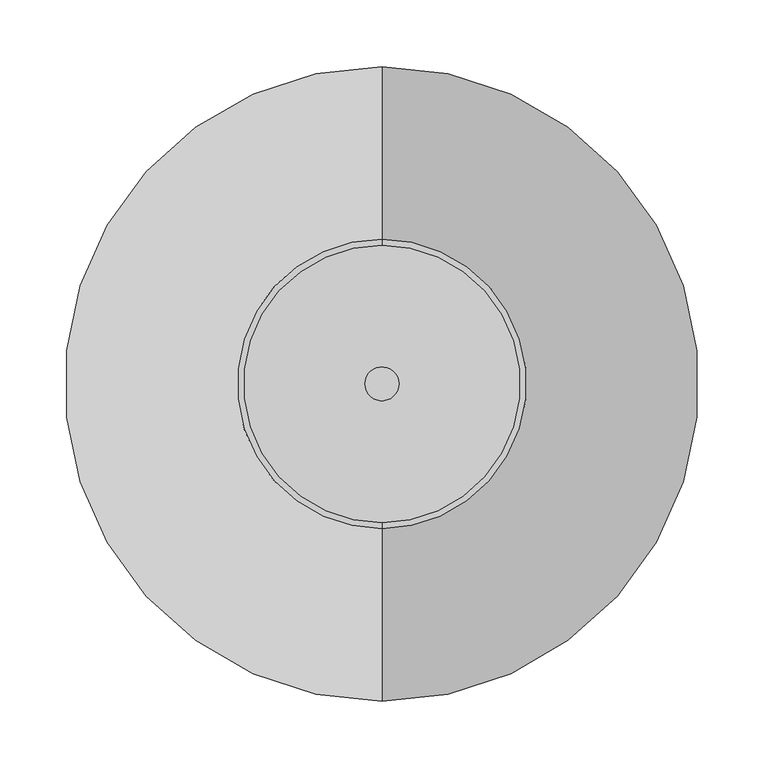
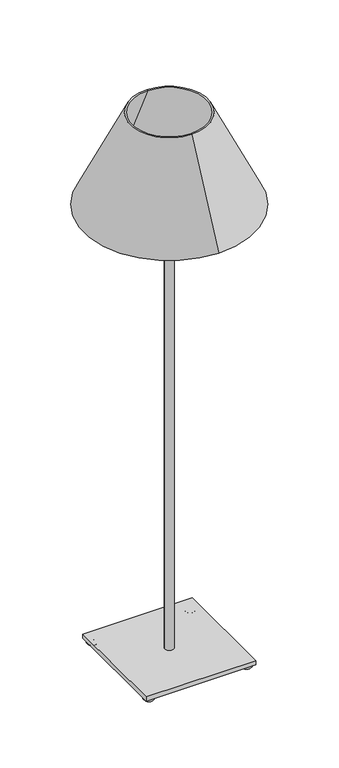
"""IFC4 building model written with IfcOpenShell, lengths in millimetres: light fixture geometry."""

from ifc_helpers import new_model, si_unit, point, frame, origin, origin_2d, place, context, project, spatial, polyline, circle_curve, ellipse_curve, trimmed, segment, composite_curve, outline, extrude, source, transform, mapped, element, save
from ifc_brep_helpers import plane_surface, revolved_surface, advanced_brep


def light_fixture_e73b96cd(model_context):
    return source(origin(), model_context, "Body", "SolidModel", [
        extrude(outline(composite_curve([segment(trimmed(circle_curve(origin_2d(), 12.7), [point((-12.7, 0.0))], [point((12.7, 0.0))], False, "CARTESIAN"), True, "CONTINUOUS"), segment(trimmed(circle_curve(origin_2d(), 12.7), [point((12.7, 0.0))], [point((-12.7, 0.0))], False, "CARTESIAN"), True, "CONTINUOUS")], self_intersect=False)), frame((0.0, 0.0, 24.9639672), z_axis=(0.0, 0.0, 1.0), x_axis=(1.0, 0.0, 0.0)), (0.0, 0.0, 1.0), 1411.3792544),
        extrude(outline(polyline([(152.4, 152.4), (152.4, -152.4), (-152.4, -152.4), (-152.4, 152.4), (152.4, 152.4)])), frame((0.0, 0.0, 12.6871384), z_axis=(0.0, 0.0, 1.0), x_axis=(1.0, 0.0, 0.0)), (0.0, 0.0, 1.0), 12.2768288),
        advanced_brep(
        [(133.9366871, -135.595774, 0.0), (140.1544999, -135.595774, 0.0), (140.1544999, -135.595774, 12.6871384), (133.9366871, -135.595774, 12.6871384), (121.2495488, -135.595774, 12.6871384), (152.8416383, -135.595774, 12.6871384)],
        [
            (0, 1, circle_curve(frame((137.0455935, -135.595774, 0.0), z_axis=(0.0, 0.0, -1.0), x_axis=(0.0, 1.0, 0.0)), 3.1089064)),
            (1, 2),
            (2, 3, circle_curve(frame((137.0455935, -135.595774, 12.6871384), z_axis=(0.0, 0.0, 1.0), x_axis=(0.0, 1.0, 0.0)), 3.1089064)),
            (3, 0),
            (1, 0, circle_curve(frame((137.0455935, -135.595774, 0.0), z_axis=(0.0, 0.0, -1.0), x_axis=(0.0, 1.0, 0.0)), 3.1089064)),
            (3, 2, circle_curve(frame((137.0455935, -135.595774, 12.6871384), z_axis=(0.0, 0.0, 1.0), x_axis=(0.0, 1.0, 0.0)), 3.1089064)),
            (4, 5, circle_curve(frame((137.0455935, -135.595774, 12.6871384), z_axis=(0.0, 0.0, -1.0), x_axis=(0.0, 1.0, 0.0)), 15.7960447)),
            (5, 1, circle_curve(frame((140.1544999, -135.595774, 12.6871384), z_axis=(0.0, 1.0, 0.0), x_axis=(1.0, 0.0, 0.0)), 12.6871384)),
            (0, 4, circle_curve(frame((133.9366871, -135.595774, 12.6871384), z_axis=(0.0, 1.0, 0.0), x_axis=(-1.0, 0.0, 0.0)), 12.6871384)),
            (5, 4, circle_curve(frame((137.0455935, -135.595774, 12.6871384), z_axis=(0.0, 0.0, -1.0), x_axis=(0.0, 1.0, 0.0)), 15.7960447)),
            (2, 5),
            (4, 3),
        ],
        [
            revolved_surface(polyline([(137.0455935, -132.4868676, 12.6871384), (137.0455935, -132.4868676, 0.0)]), (137.0455935, -135.595774, 0.0), (0.0, 0.0, 1.0)),
            revolved_surface(trimmed(ellipse_curve(frame((137.0455935, -132.4868676, 12.6871384), z_axis=(1.0, 0.0, 0.0), x_axis=(0.0, 1.0, 0.0)), 12.6871384, 12.6871384), [point((137.0455935, -132.4868676, 0.0))], [point((137.0455935, -119.7997292, 12.6871384))], True, "CARTESIAN"), (137.0455935, -135.595774, 0.0), (0.0, 0.0, 1.0)),
            plane_surface(frame((137.0455935, -135.595774, 12.6871384), z_axis=(0.0, 0.0, 1.0), x_axis=(0.0, 1.0, 0.0))),
        ],
        [
            (0, [[1, 2, 3, 4]]),
            (0, [[5, -4, 6, -2]]),
            (1, [[7, 8, -1, 9]]),
            (1, [[10, -9, -5, -8]]),
            (2, [[-3, 11, -7, 12]]),
            (2, [[-6, -12, -10, -11]]),
        ],
    ),
        advanced_brep(
        [(-138.5460372, -136.1907144, 0.0), (-132.3282244, -136.1907144, 0.0), (-132.3282244, -136.1907144, 12.6871384), (-138.5460372, -136.1907144, 12.6871384), (-151.2331755, -136.1907144, 12.6871384), (-119.641086, -136.1907144, 12.6871384)],
        [
            (0, 1, circle_curve(frame((-135.4371308, -136.1907144, 0.0), z_axis=(0.0, 0.0, -1.0), x_axis=(0.0, 1.0, 0.0)), 3.1089064)),
            (1, 2),
            (2, 3, circle_curve(frame((-135.4371308, -136.1907144, 12.6871384), z_axis=(0.0, 0.0, 1.0), x_axis=(0.0, 1.0, 0.0)), 3.1089064)),
            (3, 0),
            (1, 0, circle_curve(frame((-135.4371308, -136.1907144, 0.0), z_axis=(0.0, 0.0, -1.0), x_axis=(0.0, 1.0, 0.0)), 3.1089064)),
            (3, 2, circle_curve(frame((-135.4371308, -136.1907144, 12.6871384), z_axis=(0.0, 0.0, 1.0), x_axis=(0.0, 1.0, 0.0)), 3.1089064)),
            (4, 5, circle_curve(frame((-135.4371308, -136.1907144, 12.6871384), z_axis=(0.0, 0.0, -1.0), x_axis=(0.0, 1.0, 0.0)), 15.7960447)),
            (5, 1, circle_curve(frame((-132.3282244, -136.1907144, 12.6871384), z_axis=(0.0, 1.0, 0.0), x_axis=(1.0, 0.0, 0.0)), 12.6871384)),
            (0, 4, circle_curve(frame((-138.5460372, -136.1907144, 12.6871384), z_axis=(0.0, 1.0, 0.0), x_axis=(-1.0, 0.0, 0.0)), 12.6871384)),
            (5, 4, circle_curve(frame((-135.4371308, -136.1907144, 12.6871384), z_axis=(0.0, 0.0, -1.0), x_axis=(0.0, 1.0, 0.0)), 15.7960447)),
            (2, 5),
            (4, 3),
        ],
        [
            revolved_surface(polyline([(-135.4371308, -133.081808, 12.6871384), (-135.4371308, -133.081808, 0.0)]), (-135.4371308, -136.1907144, 0.0), (0.0, 0.0, 1.0)),
            revolved_surface(trimmed(ellipse_curve(frame((-135.4371308, -133.081808, 12.6871384), z_axis=(1.0, 0.0, 0.0), x_axis=(0.0, 1.0, 0.0)), 12.6871384, 12.6871384), [point((-135.4371308, -133.081808, 0.0))], [point((-135.4371308, -120.3946697, 12.6871384))], True, "CARTESIAN"), (-135.4371308, -136.1907144, 0.0), (0.0, 0.0, 1.0)),
            plane_surface(frame((-135.4371308, -136.1907144, 12.6871384), z_axis=(0.0, 0.0, 1.0), x_axis=(0.0, 1.0, 0.0))),
        ],
        [
            (0, [[1, 2, 3, 4]]),
            (0, [[5, -4, 6, -2]]),
            (1, [[7, 8, -1, 9]]),
            (1, [[10, -9, -5, -8]]),
            (2, [[-3, 11, -7, 12]]),
            (2, [[-6, -12, -10, -11]]),
        ],
    ),
        advanced_brep(
        [(-139.1409776, 135.6970694, 0.0), (-132.9231648, 135.6970694, 0.0), (-132.9231648, 135.6970694, 12.6871384), (-139.1409776, 135.6970694, 12.6871384), (-151.828116, 135.6970694, 12.6871384), (-120.2360265, 135.6970694, 12.6871384)],
        [
            (0, 1, circle_curve(frame((-136.0320712, 135.6970694, 0.0), z_axis=(0.0, 0.0, -1.0), x_axis=(0.0, 1.0, 0.0)), 3.1089064)),
            (1, 2),
            (2, 3, circle_curve(frame((-136.0320712, 135.6970694, 12.6871384), z_axis=(0.0, 0.0, 1.0), x_axis=(0.0, 1.0, 0.0)), 3.1089064)),
            (3, 0),
            (1, 0, circle_curve(frame((-136.0320712, 135.6970694, 0.0), z_axis=(0.0, 0.0, -1.0), x_axis=(0.0, 1.0, 0.0)), 3.1089064)),
            (3, 2, circle_curve(frame((-136.0320712, 135.6970694, 12.6871384), z_axis=(0.0, 0.0, 1.0), x_axis=(0.0, 1.0, 0.0)), 3.1089064)),
            (4, 5, circle_curve(frame((-136.0320712, 135.6970694, 12.6871384), z_axis=(0.0, 0.0, -1.0), x_axis=(0.0, 1.0, 0.0)), 15.7960447)),
            (5, 1, circle_curve(frame((-132.9231648, 135.6970694, 12.6871384), z_axis=(0.0, 1.0, 0.0), x_axis=(1.0, 0.0, 0.0)), 12.6871384)),
            (0, 4, circle_curve(frame((-139.1409776, 135.6970694, 12.6871384), z_axis=(0.0, 1.0, 0.0), x_axis=(-1.0, 0.0, 0.0)), 12.6871384)),
            (5, 4, circle_curve(frame((-136.0320712, 135.6970694, 12.6871384), z_axis=(0.0, 0.0, -1.0), x_axis=(0.0, 1.0, 0.0)), 15.7960447)),
            (2, 5),
            (4, 3),
        ],
        [
            revolved_surface(polyline([(-136.0320712, 138.8059758, 12.6871384), (-136.0320712, 138.8059758, 0.0)]), (-136.0320712, 135.6970694, 0.0), (0.0, 0.0, 1.0)),
            revolved_surface(trimmed(ellipse_curve(frame((-136.0320712, 138.8059758, 12.6871384), z_axis=(1.0, 0.0, 0.0), x_axis=(0.0, 1.0, 0.0)), 12.6871384, 12.6871384), [point((-136.0320712, 138.8059758, 0.0))], [point((-136.0320712, 151.4931142, 12.6871384))], True, "CARTESIAN"), (-136.0320712, 135.6970694, 0.0), (0.0, 0.0, 1.0)),
            plane_surface(frame((-136.0320712, 135.6970694, 12.6871384), z_axis=(0.0, 0.0, 1.0), x_axis=(0.0, 1.0, 0.0))),
        ],
        [
            (0, [[1, 2, 3, 4]]),
            (0, [[5, -4, 6, -2]]),
            (1, [[7, 8, -1, 9]]),
            (1, [[10, -9, -5, -8]]),
            (2, [[-3, 11, -7, 12]]),
            (2, [[-6, -12, -10, -11]]),
        ],
    ),
        advanced_brep(
        [(133.2106985, 136.0573029, 0.0), (139.4285113, 136.0573029, 0.0), (139.4285113, 136.0573029, 12.6871384), (133.2106985, 136.0573029, 12.6871384), (120.5235602, 136.0573029, 12.6871384), (152.1156497, 136.0573029, 12.6871384)],
        [
            (0, 1, circle_curve(frame((136.3196049, 136.0573029, 0.0), z_axis=(0.0, 0.0, -1.0), x_axis=(0.0, 1.0, 0.0)), 3.1089064)),
            (1, 2),
            (2, 3, circle_curve(frame((136.3196049, 136.0573029, 12.6871384), z_axis=(0.0, 0.0, 1.0), x_axis=(0.0, 1.0, 0.0)), 3.1089064)),
            (3, 0),
            (1, 0, circle_curve(frame((136.3196049, 136.0573029, 0.0), z_axis=(0.0, 0.0, -1.0), x_axis=(0.0, 1.0, 0.0)), 3.1089064)),
            (3, 2, circle_curve(frame((136.3196049, 136.0573029, 12.6871384), z_axis=(0.0, 0.0, 1.0), x_axis=(0.0, 1.0, 0.0)), 3.1089064)),
            (4, 5, circle_curve(frame((136.3196049, 136.0573029, 12.6871384), z_axis=(0.0, 0.0, -1.0), x_axis=(0.0, 1.0, 0.0)), 15.7960447)),
            (5, 1, circle_curve(frame((139.4285113, 136.0573029, 12.6871384), z_axis=(0.0, 1.0, 0.0), x_axis=(1.0, 0.0, 0.0)), 12.6871384)),
            (0, 4, circle_curve(frame((133.2106985, 136.0573029, 12.6871384), z_axis=(0.0, 1.0, 0.0), x_axis=(-1.0, 0.0, 0.0)), 12.6871384)),
            (5, 4, circle_curve(frame((136.3196049, 136.0573029, 12.6871384), z_axis=(0.0, 0.0, -1.0), x_axis=(0.0, 1.0, 0.0)), 15.7960447)),
            (2, 5),
            (4, 3),
        ],
        [
            revolved_surface(polyline([(136.3196049, 139.1662093, 12.6871384), (136.3196049, 139.1662093, 0.0)]), (136.3196049, 136.0573029, 0.0), (0.0, 0.0, 1.0)),
            revolved_surface(trimmed(ellipse_curve(frame((136.3196049, 139.1662093, 12.6871384), z_axis=(1.0, 0.0, 0.0), x_axis=(0.0, 1.0, 0.0)), 12.6871384, 12.6871384), [point((136.3196049, 139.1662093, 0.0))], [point((136.3196049, 151.8533477, 12.6871384))], True, "CARTESIAN"), (136.3196049, 136.0573029, 0.0), (0.0, 0.0, 1.0)),
            plane_surface(frame((136.3196049, 136.0573029, 12.6871384), z_axis=(0.0, 0.0, 1.0), x_axis=(0.0, 1.0, 0.0))),
        ],
        [
            (0, [[1, 2, 3, 4]]),
            (0, [[5, -4, 6, -2]]),
            (1, [[7, 8, -1, 9]]),
            (1, [[10, -9, -5, -8]]),
            (2, [[-3, 11, -7, 12]]),
            (2, [[-6, -12, -10, -11]]),
        ],
    ),
        advanced_brep(
        [(0.0, -233.3382251, 1329.389278), (0.0, 233.3382251, 1329.389278), (0.0, 104.0586089, 1600.0), (0.0, -104.0586089, 1600.0), (0.0, -237.8523754, 1329.389278), (0.0, 237.8523754, 1329.389278), (0.0, -108.5727592, 1600.0), (0.0, 108.5727592, 1600.0)],
        [
            (0, 1, circle_curve(frame((0.0, 0.0, 1329.389278), z_axis=(0.0, 0.0, -1.0), x_axis=(0.0, 1.0, 0.0)), 233.3382251)),
            (1, 2),
            (2, 3, circle_curve(frame((0.0, 0.0, 1600.0), z_axis=(0.0, 0.0, 1.0), x_axis=(0.0, 1.0, 0.0)), 104.0586089)),
            (3, 0),
            (1, 0, circle_curve(frame((0.0, 0.0, 1329.389278), z_axis=(0.0, 0.0, -1.0), x_axis=(0.0, 1.0, 0.0)), 233.3382251)),
            (3, 2, circle_curve(frame((0.0, 0.0, 1600.0), z_axis=(0.0, 0.0, 1.0), x_axis=(0.0, 1.0, 0.0)), 104.0586089)),
            (4, 5, circle_curve(frame((0.0, 0.0, 1329.389278), z_axis=(0.0, 0.0, -1.0), x_axis=(0.0, 1.0, 0.0)), 237.8523754)),
            (5, 1),
            (0, 4),
            (5, 4, circle_curve(frame((0.0, 0.0, 1329.389278), z_axis=(0.0, 0.0, -1.0), x_axis=(0.0, 1.0, 0.0)), 237.8523754)),
            (6, 7, circle_curve(frame((0.0, 0.0, 1600.0), z_axis=(0.0, 0.0, -1.0), x_axis=(0.0, 1.0, 0.0)), 108.5727592)),
            (7, 5),
            (4, 6),
            (7, 6, circle_curve(frame((0.0, 0.0, 1600.0), z_axis=(0.0, 0.0, -1.0), x_axis=(0.0, 1.0, 0.0)), 108.5727592)),
            (2, 7),
            (6, 3),
        ],
        [
            revolved_surface(polyline([(0.0, 104.0586089, 1600.0), (0.0, 233.3382251, 1329.389278)]), (0.0, 0.0, 1639.6373583), (0.0, 0.0, 1.0)),
            plane_surface(frame((0.0, 0.0, 1329.389278), z_axis=(0.0, 0.0, -1.0), x_axis=(0.0, 1.0, 0.0))),
            revolved_surface(polyline([(0.0, 237.8523754, 1329.389278), (0.0, 108.5727592, 1600.0)]), (0.0, 0.0, 1639.6373583), (0.0, 0.0, 1.0)),
            plane_surface(frame((0.0, 0.0, 1600.0), z_axis=(0.0, 0.0, 1.0), x_axis=(0.0, 1.0, 0.0))),
        ],
        [
            (0, [[1, 2, 3, 4]]),
            (0, [[5, -4, 6, -2]]),
            (1, [[7, 8, -1, 9]]),
            (1, [[10, -9, -5, -8]]),
            (2, [[11, 12, -7, 13]]),
            (2, [[14, -13, -10, -12]]),
            (3, [[-3, 15, -11, 16]]),
            (3, [[-6, -16, -14, -15]]),
        ],
    ),
    ])


if __name__ == "__main__":
    model = new_model("IFC4")
    model_context = context("Model", 3, world=origin())
    ifc_project = project(units=[si_unit("LENGTHUNIT", "METRE", prefix="MILLI")], contexts=[model_context])
    site = spatial("IfcSite", under=ifc_project)
    building = spatial("IfcBuilding", under=site)
    placement = place(None, origin())
    light_fixture_shape = light_fixture_e73b96cd(model_context)
    element("IfcLightFixture", 1, at=placement, inside=building, context=model_context, shape_type="MappedRepresentation", body=[
        mapped(light_fixture_shape, transform((0.0, 0.0, 0.0), x_axis=(1.0, 0.0, 0.0), y_axis=(0.0, 1.0, 0.0), z_axis=(0.0, 0.0, 1.0))),
    ])
    save(model, "model.ifc")
